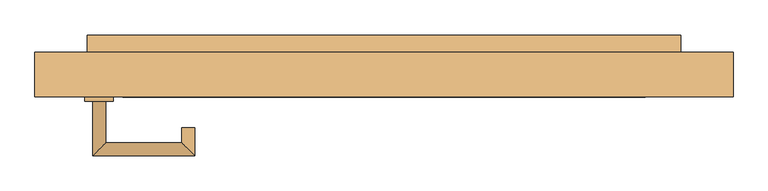
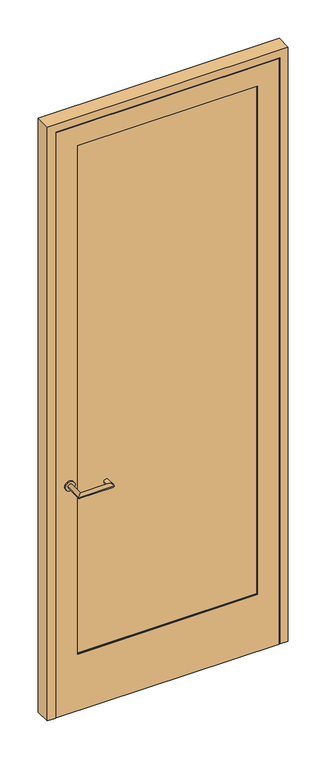
"""IFC4 building model written with IfcOpenShell, lengths in millimetres: door geometry."""

from ifc_helpers import new_model, si_unit, point, frame, frame_2d, origin, place, context, project, spatial, polyline, circle_curve, ellipse_curve, trimmed, segment, composite_curve, outline, extrude, faceted_brep, source, transform, mapped, element, save
from ifc_brep_helpers import plane_surface, cylinder_surface, advanced_brep


def door_bd1913be(model_context):
    return source(origin(), model_context, "Body", "SolidModel", [
        extrude(outline(polyline([(2617.7875, 471.4875), (2617.7875, -471.4875), (0.0, -471.4875), (0.0, 471.4875), (2617.7875, 471.4875)]), holes=[polyline([(254.0, 381.0), (254.0, -381.0), (2527.3, -381.0), (2527.3, 381.0), (254.0, 381.0)])]), frame((0.0, -19.05, 0.0), z_axis=(0.0, 1.0, 0.0), x_axis=(0.0, 0.0, 1.0)), (0.0, 0.0, 1.0), 2.4553029),
        faceted_brep([(450.85, 42.6733196, 2597.15), (450.85, 42.6733196, 0.0), (433.3875, 42.6733196, 0.0), (433.3875, 42.6733196, 2579.6875), (-433.3875, 42.6733196, 2579.6875), (-433.3875, 42.6733196, 0.0), (-450.85, 42.6733196, 0.0), (-450.85, 42.6733196, 2597.15), (450.85, -16.5946971, 2597.15), (-450.85, -16.5946971, 2597.15), (-450.85, -16.5946971, 0.0), (450.85, -16.5946971, 0.0), (381.0, -16.5946971, 2527.3), (381.0, -16.5946971, 254.0), (-381.0, -16.5946971, 254.0), (-381.0, -16.5946971, 2527.3), (-381.0, 46.0375, 254.0), (-381.0, 46.0375, 2527.3), (381.0, 46.0375, 2527.3), (381.0, 46.0375, 254.0), (-433.3875, 46.0375, 0.0), (433.3875, 46.0375, 0.0), (-433.3875, 46.0375, 2579.6875), (433.3875, 46.0375, 2579.6875)], [[[0, 1, 2, 3, 4, 5, 6, 7]], [[8, 9, 10, 11], [12, 13, 14, 15]], [[7, 9, 8, 0]], [[6, 10, 9, 7]], [[14, 16, 17, 15]], [[17, 18, 12, 15]], [[18, 19, 13, 12]], [[10, 6, 5, 20, 21, 2, 1, 11]], [[0, 8, 11, 1]], [[21, 20, 22, 23], [19, 18, 17, 16]], [[23, 3, 2, 21]], [[22, 4, 3, 23]], [[19, 16, 14, 13]], [[20, 5, 4, 22]]]),
        extrude(outline(polyline([(381.0, 25.4), (381.0, -12.7), (-381.0, -12.7), (-381.0, 25.4), (381.0, 25.4)])), frame((0.0, 0.0, 254.0), z_axis=(0.0, 0.0, 1.0), x_axis=(1.0, 0.0, 0.0)), (0.0, 0.0, 1.0), 2273.3),
        advanced_brep(
        [(-406.4, -25.4, 1020.7625), (-425.45, -25.4, 1020.7625), (-406.4, -85.725, 1020.7625), (-425.45, -104.775, 1020.7625), (-295.275, -85.725, 1020.7625), (-276.225, -104.775, 1020.7625), (-295.275, -63.5, 1020.7625), (-276.225, -63.5, 1020.7625)],
        [
            (0, 1, circle_curve(frame((-415.925, -25.4, 1020.7625), z_axis=(0.0, 1.0, 0.0), x_axis=(-1.0000000000000004, 0.0, 0.0)), 9.525)),
            (1, 0, circle_curve(frame((-415.925, -25.4, 1020.7625), z_axis=(0.0, 1.0, 0.0), x_axis=(-1.0000000000000004, 0.0, 0.0)), 9.525)),
            (0, 2),
            (2, 3, ellipse_curve(frame((-415.925, -95.25, 1020.7625), z_axis=(-0.7071067811865588, 0.7071067811865362, 0.0), x_axis=(0.7071067811865362, 0.7071067811865588, 0.0)), 13.4703842, 9.525)),
            (3, 1),
            (3, 2, ellipse_curve(frame((-415.925, -95.25, 1020.7625), z_axis=(-0.7071067811865588, 0.7071067811865362, 0.0), x_axis=(0.7071067811865362, 0.7071067811865588, 0.0)), 13.4703842, 9.525)),
            (2, 4),
            (4, 5, ellipse_curve(frame((-285.75, -95.25, 1020.7625), z_axis=(-0.707106781186536, -0.707106781186559, 0.0), x_axis=(-0.707106781186559, 0.7071067811865359, 0.0)), 13.4703842, 9.525)),
            (5, 3),
            (5, 4, ellipse_curve(frame((-285.75, -95.25, 1020.7625), z_axis=(-0.707106781186536, -0.707106781186559, 0.0), x_axis=(-0.707106781186559, 0.7071067811865359, 0.0)), 13.4703842, 9.525)),
            (6, 7, circle_curve(frame((-285.75, -63.5, 1020.7625), z_axis=(0.0, 1.0, 0.0), x_axis=(1.0000000000000004, 0.0, 0.0)), 9.525)),
            (7, 6, circle_curve(frame((-285.75, -63.5, 1020.7625), z_axis=(0.0, 1.0, 0.0), x_axis=(1.0000000000000004, 0.0, 0.0)), 9.525)),
            (4, 6),
            (7, 5),
        ],
        [
            plane_surface(frame((-415.925, -25.4, 0.0), z_axis=(0.0, 1.0, 0.0), x_axis=(0.0, 0.0, 1.0))),
            cylinder_surface(frame((-415.925, -25.4, 1020.7625), z_axis=(0.0, 1.0000000000000004, 0.0), x_axis=(-1.0000000000000004, 0.0, 0.0)), 9.525),
            cylinder_surface(frame((-415.925, -95.25, 1020.7625), z_axis=(-1.0000000000000004, 0.0, 0.0), x_axis=(0.0, -1.0000000000000004, 0.0)), 9.525),
            plane_surface(frame((-285.75, -63.5, 0.0), z_axis=(0.0, 1.0, 0.0), x_axis=(0.0, 0.0, 1.0))),
            cylinder_surface(frame((-285.75, -95.25, 1020.7625), z_axis=(0.0, -1.0000000000000004, 0.0), x_axis=(1.0000000000000004, 0.0, 0.0)), 9.525),
        ],
        [
            (0, [[1, 2]]),
            (1, [[3, 4, 5, -1]]),
            (1, [[-5, 6, -3, -2]]),
            (2, [[7, 8, 9, -4]]),
            (2, [[-9, 10, -7, -6]]),
            (3, [[11, 12]]),
            (4, [[13, -12, 14, -8]]),
            (4, [[-14, -11, -13, -10]]),
        ],
    ),
        extrude(outline(polyline([(433.3875, 71.4375), (433.3875, 46.0375), (-433.3875, 46.0375), (-433.3875, 71.4375), (433.3875, 71.4375)])), frame((0.0, 0.0, 986.63125), z_axis=(0.0, 0.0, 1.0), x_axis=(1.0, 0.0, 0.0)), (0.0, 0.0, 1.0), 68.2625),
        extrude(outline(composite_curve([segment(trimmed(circle_curve(frame_2d((1020.7625, -415.925)), 20.6375), [point((1020.7625, -395.2875))], [point((1020.7625, -436.5625))], False, "CARTESIAN"), True, "CONTINUOUS"), segment(trimmed(circle_curve(frame_2d((1020.7625, -415.925)), 20.6375), [point((1020.7625, -436.5625))], [point((1020.7625, -395.2875))], False, "CARTESIAN"), True, "CONTINUOUS")], self_intersect=False)), frame((0.0, -25.4, 0.0), z_axis=(0.0, 1.0, 0.0), x_axis=(0.0, 0.0, 1.0)), (0.0, 0.0, 1.0), 6.35),
        faceted_brep([(509.5875, -19.05, 0.0), (474.6625, -19.05, 0.0), (474.6625, -12.7, 0.0), (460.375, -12.7, 0.0), (460.375, 42.8625, 0.0), (439.7375, 42.8625, 0.0), (439.7375, 46.0375, 0.0), (509.5875, 46.0375, 0.0), (509.5875, 46.0375, 2655.8875), (509.5875, -19.05, 2655.8875), (439.7375, 46.0375, 2586.0375), (-439.7375, 46.0375, 2586.0375), (-439.7375, 46.0375, 0.0), (-509.5875, 46.0375, 0.0), (-509.5875, 46.0375, 2655.8875), (439.7375, 42.8625, 2586.0375), (460.375, 42.8625, 2606.675), (-460.375, 42.8625, 2606.675), (-460.375, 42.8625, 0.0), (-439.7375, 42.8625, 0.0), (-439.7375, 42.8625, 2586.0375), (460.375, -12.7, 2606.675), (474.6625, -12.7, 2620.9625), (-474.6625, -12.7, 2620.9625), (-474.6625, -12.7, 0.0), (-460.375, -12.7, 0.0), (-460.375, -12.7, 2606.675), (474.6625, -19.05, 2620.9625), (-509.5875, -19.05, 2655.8875), (-509.5875, -19.05, 0.0), (-474.6625, -19.05, 0.0), (-474.6625, -19.05, 2620.9625)], [[[0, 1, 2, 3, 4, 5, 6, 7]], [[7, 8, 9, 0]], [[6, 10, 11, 12, 13, 14, 8, 7]], [[5, 15, 10, 6]], [[4, 16, 17, 18, 19, 20, 15, 5]], [[3, 21, 16, 4]], [[2, 22, 23, 24, 25, 26, 21, 3]], [[1, 27, 22, 2]], [[0, 9, 28, 29, 30, 31, 27, 1]], [[14, 13, 29, 28]], [[29, 13, 12, 19, 18, 25, 24, 30]], [[20, 19, 12, 11]], [[26, 25, 18, 17]], [[31, 30, 24, 23]], [[8, 14, 28, 9]], [[15, 20, 11, 10]], [[27, 31, 23, 22]], [[21, 26, 17, 16]]]),
    ])


if __name__ == "__main__":
    model = new_model("IFC4")
    model_context = context("Model", 3, world=origin())
    ifc_project = project(units=[si_unit("LENGTHUNIT", "METRE", prefix="MILLI")], contexts=[model_context])
    site = spatial("IfcSite", under=ifc_project)
    building = spatial("IfcBuilding", under=site)
    placement = place(None, origin())
    door_shape = door_bd1913be(model_context)
    element("IfcDoor", 1, at=placement, inside=building, context=model_context, shape_type="MappedRepresentation", body=[
        mapped(door_shape, transform((0.0, 0.0, 0.0), x_axis=(1.0, 0.0, 0.0), y_axis=(0.0, 1.0, 0.0), z_axis=(0.0, 0.0, 1.0))),
    ])
    save(model, "model.ifc")
